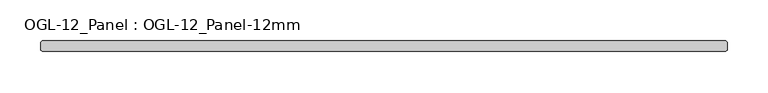
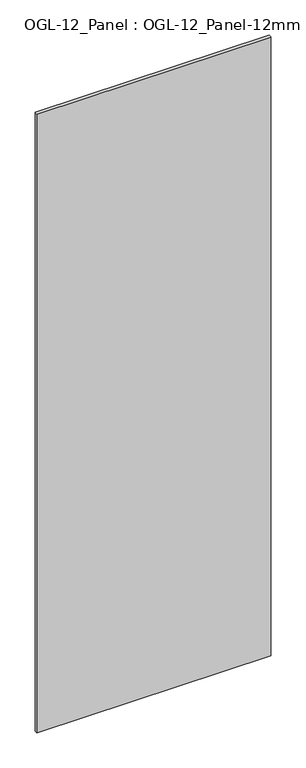
"""IFC4 building model written with IfcOpenShell, lengths in millimetres: plate geometry, OGL-12_Panel : OGL-12_Panel-12mm."""

from ifc_helpers import new_model, si_unit, origin, origin_with_axes, place, context, project, spatial, polyline, outline, extrude, source, transform, mapped, element, save


def ogl_12_panel_ogl_12_panel_12mm_b53062c6(model_context):
    return source(origin(), model_context, "Body", "SweptSolid", [
        extrude(outline(polyline([(417.1178624, 34.925), (418.7053624, 33.3375), (418.7053624, 23.8125), (417.1178624, 22.225), (-417.1178624, 22.225), (-418.7053624, 23.8125), (-418.7053624, 33.3375), (-417.1178624, 34.925), (417.1178624, 34.925)])), origin_with_axes(), (0.0, 0.0, 1.0), 2339.914687),
    ])


if __name__ == "__main__":
    model = new_model("IFC4")
    model_context = context("Model", 3, world=origin())
    ifc_project = project(units=[si_unit("LENGTHUNIT", "METRE", prefix="MILLI")], contexts=[model_context])
    site = spatial("IfcSite", under=ifc_project)
    building = spatial("IfcBuilding", under=site)
    placement = place(None, origin())
    ogl_12_panel_ogl_12_panel_12mm_shape = ogl_12_panel_ogl_12_panel_12mm_b53062c6(model_context)
    element("IfcPlate", 1, ObjectType="OGL-12_Panel : OGL-12_Panel-12mm", at=placement, inside=building, context=model_context, shape_type="MappedRepresentation", body=[
        mapped(ogl_12_panel_ogl_12_panel_12mm_shape, transform((0.0, 0.0, 0.0), x_axis=(1.0, 0.0, 0.0), y_axis=(0.0, 1.0, 0.0), z_axis=(0.0, 0.0, 1.0))),
    ])
    save(model, "model.ifc")
